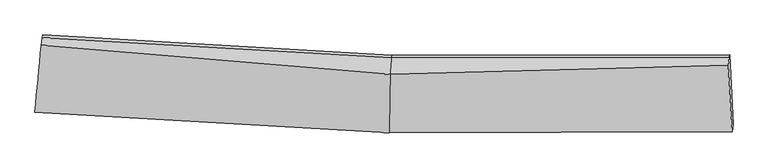
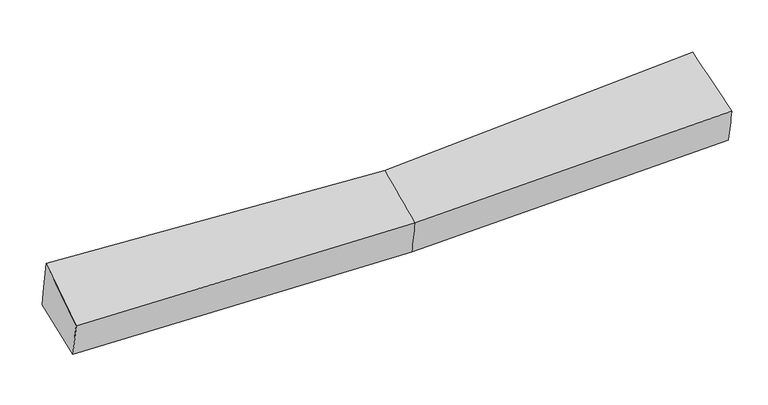
"""IFC4 building model written with IfcOpenShell, lengths in millimetres: proxy geometry."""

from ifc_helpers import new_model, si_unit, frame, origin, place, context, project, spatial, source, transform, mapped, element, save
from ifc_brep_helpers import plane_surface, spline_surface, advanced_brep


def generic_models_36e11fe8(model_context):
    return source(origin(), model_context, "Body", "AdvancedBrep", [
        advanced_brep(
        [(-3494.9412171, -1900.3344264, 2042.5402719), (-3483.6962968, -1821.9976873, 1665.8858597), (27.1087672, -2025.8982987, 1721.5953078), (16.7786775, -2104.2911924, 2098.2642375), (-3418.2296638, -1135.6580931, 1786.931642), (42.2611517, -1336.4702879, 1841.8426494), (-3422.4117961, -1163.0510419, 1944.5137988), (38.0790194, -1363.8632367, 1999.4248061), (-3433.5634424, -1240.2078914, 2323.3706951), (26.3106107, -1527.0841765, 2341.9766924), (3388.0505385, -1357.1565198, 2074.2666613), (3378.4804627, -1434.3561004, 2453.1581035), (3416.335891, -2097.1637314, 2174.4952053), (3425.7804971, -2018.7783512, 1797.8014693), (3392.2326708, -1329.763571, 1916.6845046)],
        [
            (0, 1),
            (1, 2),
            (2, 3),
            (3, 0),
            (1, 4),
            (4, 5),
            (5, 1),
            (4, 6),
            (6, 7),
            (7, 5),
            (6, 8),
            (8, 9),
            (9, 7),
            (8, 0),
            (3, 9),
            (10, 11),
            (11, 12),
            (12, 13),
            (13, 14),
            (14, 10),
            (5, 2),
            (9, 11),
            (10, 7),
            (3, 12),
            (2, 13),
            (5, 14),
        ],
        [
            spline_surface(1, 1, [[(-3494.9412171, -1900.3344264, 2042.5402719), (16.7786775, -2104.2911924, 2098.2642375)], [(-3483.6962968, -1821.9976873, 1665.8858597), (27.1087672, -2025.8982987, 1721.5953078)]], [2, 2], [2, 2], [0.0, 1.0], [0.0, 1.0]),
            plane_surface(frame((-3450.9629803, -1478.8278902, 1726.4087509), z_axis=(0.02556657356062121, 0.1712614120362753, -0.9848938415198414), x_axis=(0.0935237614942265, 0.9804851345497503, 0.1729225461382324))),
            plane_surface(frame((-3420.3207299, -1149.3545675, 1865.7227204), z_axis=(0.054338126561632574, 0.983525190071569, 0.17241104516954883), x_axis=(-0.026138327088996414, -0.1712059295910457, 0.9848884797426837))),
            spline_surface(1, 1, [[(-3422.4117961, -1163.0510419, 1944.5137988), (38.0790194, -1363.8632367, 1999.4248061)], [(-3433.5634424, -1240.2078914, 2323.3706951), (26.3106107, -1527.0841765, 2341.9766924)]], [2, 2], [2, 2], [0.0, 1.0], [0.0, 1.0]),
            spline_surface(1, 1, [[(-3433.5634424, -1240.2078914, 2323.3706951), (26.3106107, -1527.0841765, 2341.9766924)], [(-3494.9412171, -1900.3344264, 2042.5402719), (16.7786775, -2104.2911924, 2098.2642375)]], [2, 2], [2, 2], [0.0, 1.0], [0.0, 1.0]),
            plane_surface(frame((3400.176012, -1647.4436547, 2083.2811888), z_axis=(0.9985088570231007, 0.0427620913861808, 0.033933257826231356), x_axis=(-0.024742007929593426, -0.19958803563890562, 0.9795674806124461))),
            plane_surface(frame((-3450.5684833, -1452.249828, 1952.6484535), z_axis=(-0.9952738788358523, 0.09663038134987521, -0.009616418627282262), x_axis=(0.08524690930862391, 0.9168424097007754, 0.39004225441277895))),
            plane_surface(frame((-3483.6962968, -1821.9976873, 1665.8858597), z_axis=(0.025572552555167244, 0.1712205126816344, -0.9849007973358798), x_axis=(0.02164626363196673, 0.984897158291662, 0.1717819165680263))),
            spline_surface(1, 1, [[(38.0790194, -1363.8632367, 1999.4248061), (3388.0505385, -1357.1565198, 2074.2666613)], [(26.3106107, -1527.0841765, 2341.9766924), (3378.4804627, -1434.3561004, 2453.1581035)]], [2, 2], [2, 2], [0.0, 1.0], [0.0, 1.0]),
            spline_surface(1, 1, [[(26.3106107, -1527.0841765, 2341.9766924), (3378.4804627, -1434.3561004, 2453.1581035)], [(16.7786775, -2104.2911924, 2098.2642375), (3416.335891, -2097.1637314, 2174.4952053)]], [2, 2], [2, 2], [0.0, 1.0], [0.0, 1.0]),
            spline_surface(1, 1, [[(16.7786775, -2104.2911924, 2098.2642375), (3416.335891, -2097.1637314, 2174.4952053)], [(27.1087672, -2025.8982987, 1721.5953078), (3425.7804971, -2018.7783512, 1797.8014693)]], [2, 2], [2, 2], [0.0, 1.0], [0.0, 1.0]),
            spline_surface(1, 1, [[(27.1087672, -2025.8982987, 1721.5953078), (3425.7804971, -2018.7783512, 1797.8014693)], [(42.2611517, -1336.4702879, 1841.8426494), (3392.2326708, -1329.763571, 1916.6845046)]], [2, 2], [2, 2], [0.0, 1.0], [0.0, 1.0]),
            plane_surface(frame((40.1700856, -1350.1667623, 1920.6337277), z_axis=(-0.005795287745365322, 0.9852344919574814, 0.1711122745370196), x_axis=(-0.026138327088998835, -0.17120592959104464, 0.9848884797426838))),
        ],
        [
            (0, [[1, 2, 3, 4]]),
            (1, [[5, 6, 7]]),
            (2, [[8, 9, 10, -6]]),
            (3, [[11, 12, 13, -9]]),
            (4, [[14, -4, 15, -12]]),
            (5, [[16, 17, 18, 19, 20]]),
            (6, [[-14, -11, -8, -5, -1]]),
            (7, [[21, -2, -7]]),
            (8, [[-13, 22, -16, 23]]),
            (9, [[-15, 24, -17, -22]]),
            (10, [[-3, 25, -18, -24]]),
            (11, [[-21, 26, -19, -25]]),
            (12, [[-10, -23, -20, -26]]),
        ],
    ),
    ])


if __name__ == "__main__":
    model = new_model("IFC4")
    model_context = context("Model", 3, world=origin())
    ifc_project = project(units=[si_unit("LENGTHUNIT", "METRE", prefix="MILLI")], contexts=[model_context])
    site = spatial("IfcSite", under=ifc_project)
    building = spatial("IfcBuilding", under=site)
    placement = place(None, origin())
    generic_models_shape = generic_models_36e11fe8(model_context)
    element("IfcBuildingElementProxy", 1, Name="Generic Models", at=placement, inside=building, context=model_context, shape_type="MappedRepresentation", body=[
        mapped(generic_models_shape, transform((0.0, 0.0, 0.0), x_axis=(1.0, 0.0, 0.0), y_axis=(0.0, 1.0, 0.0), z_axis=(0.0, 0.0, 1.0))),
    ])
    save(model, "model.ifc")
